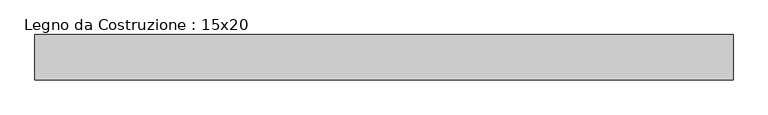
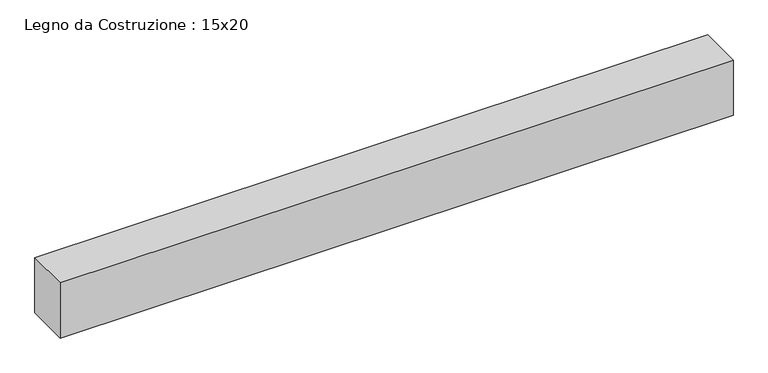
"""IFC4 building model written with IfcOpenShell, lengths in millimetres: beam geometry, Legno da Costruzione : 15x20."""

from ifc_helpers import new_model, si_unit, frame, origin, place, context, project, spatial, polyline, outline, extrude, source, transform, mapped, element, save


def legno_da_costruzione_15x20_7707862e(model_context):
    return source(origin(), model_context, "Body", "SweptSolid", [
        extrude(outline(polyline([(1262.5, 75.0), (1262.5, -75.0), (-1043.5, -75.0), (-1043.5, 75.0), (1262.5, 75.0)])), frame((0.0, 0.0, -100.0), z_axis=(0.0, 0.0, 1.0), x_axis=(1.0, 0.0, 0.0)), (0.0, 0.0, 1.0), 200.0),
    ])


if __name__ == "__main__":
    model = new_model("IFC4")
    model_context = context("Model", 3, world=origin())
    ifc_project = project(units=[si_unit("LENGTHUNIT", "METRE", prefix="MILLI")], contexts=[model_context])
    site = spatial("IfcSite", under=ifc_project)
    building = spatial("IfcBuilding", under=site)
    placement = place(None, origin())
    legno_da_costruzione_15x20_shape = legno_da_costruzione_15x20_7707862e(model_context)
    element("IfcBeam", 1, ObjectType="Legno da Costruzione : 15x20", at=placement, inside=building, context=model_context, shape_type="MappedRepresentation", body=[
        mapped(legno_da_costruzione_15x20_shape, transform((0.0, 0.0, 0.0), x_axis=(1.0, 0.0, 0.0), y_axis=(0.0, 1.0, 0.0), z_axis=(0.0, 0.0, 1.0))),
    ])
    save(model, "model.ifc")
